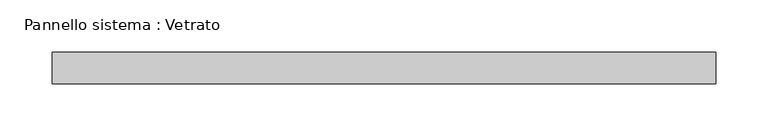
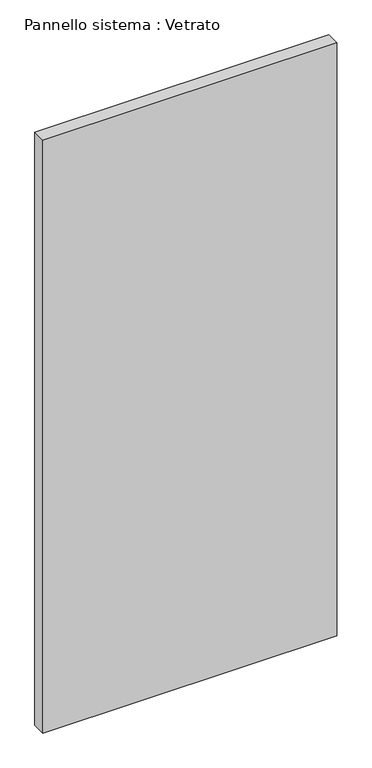
"""IFC4 building model written with IfcOpenShell, lengths in millimetres: plate geometry, Pannello sistema : Vetrato."""

from ifc_helpers import new_model, si_unit, origin, origin_with_axes, place, context, project, spatial, polyline, outline, extrude, source, transform, mapped, element, save


def pannello_sistema_vetrato_c3a2c54d(model_context):
    return source(origin(), model_context, "Body", "SweptSolid", [
        extrude(outline(polyline([(316.2499998, -15.0), (-316.2499998, -15.0), (-316.2499998, 15.0), (316.2499998, 15.0), (316.2499998, -15.0)])), origin_with_axes(), (0.0, 0.0, 1.0), 1350.0),
    ])


if __name__ == "__main__":
    model = new_model("IFC4")
    model_context = context("Model", 3, world=origin())
    ifc_project = project(units=[si_unit("LENGTHUNIT", "METRE", prefix="MILLI")], contexts=[model_context])
    site = spatial("IfcSite", under=ifc_project)
    building = spatial("IfcBuilding", under=site)
    placement = place(None, origin())
    pannello_sistema_vetrato_shape = pannello_sistema_vetrato_c3a2c54d(model_context)
    element("IfcPlate", 1, ObjectType="Pannello sistema : Vetrato", at=placement, inside=building, context=model_context, shape_type="MappedRepresentation", body=[
        mapped(pannello_sistema_vetrato_shape, transform((0.0, 0.0, 0.0), x_axis=(1.0, 0.0, 0.0), y_axis=(0.0, 1.0, 0.0), z_axis=(0.0, 0.0, 1.0))),
    ])
    save(model, "model.ifc")
